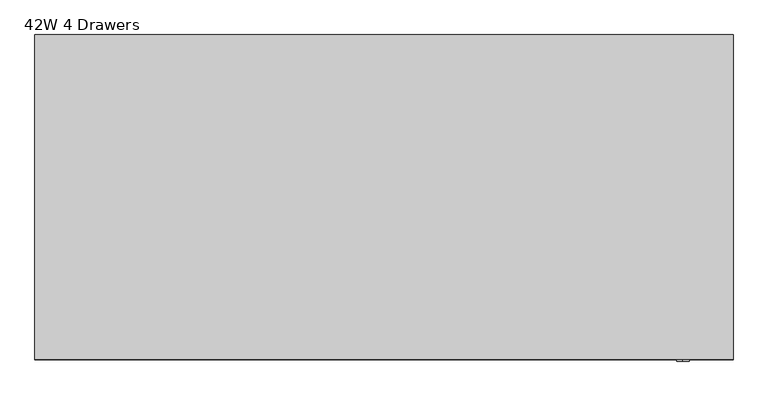
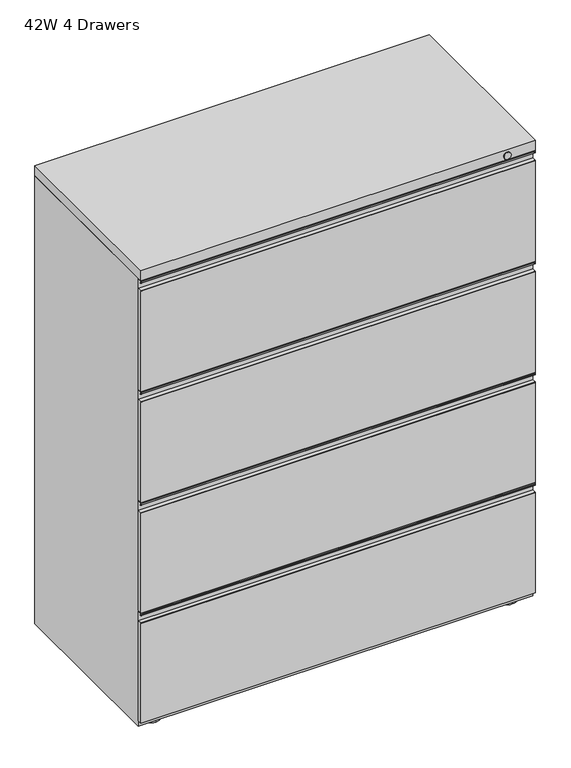
"""IFC4 building model written with IfcOpenShell, lengths in millimetres: furniture geometry, 42W 4 Drawers."""

from ifc_helpers import new_model, si_unit, point, frame, frame_2d, origin, place, context, project, spatial, polyline, circle_curve, trimmed, segment, composite_curve, outline, extrude, source, transform, mapped, element, save
from ifc_brep_helpers import plane_surface, cylinder_surface, advanced_brep


def furniture_42w_4_drawers_d9259420(model_context):
    return source(origin(), model_context, "Body", "SolidModel", [
        advanced_brep(
        [(477.8374758, 214.3124909, 9.525), (477.8374758, 163.5124939, 9.525), (477.8374758, 188.9124924, 9.525), (477.8374758, 214.3124909, 0.0), (477.8374758, 163.5124939, 0.0), (477.8374758, 188.9124924, 0.0)],
        [
            (0, 1, circle_curve(frame((477.8374758, 188.9124924, 9.525), z_axis=(0.0, 0.0, 1.0), x_axis=(0.0, -1.0, 0.0)), 25.3999985)),
            (1, 2),
            (2, 0),
            (1, 0, circle_curve(frame((477.8374758, 188.9124924, 9.525), z_axis=(0.0, 0.0, 1.0), x_axis=(0.0, -1.0, 0.0)), 25.3999985)),
            (3, 4, circle_curve(frame((477.8374758, 188.9124924, 0.0), z_axis=(0.0, 0.0, 1.0), x_axis=(0.0, -1.0, 0.0)), 25.3999985)),
            (4, 1),
            (0, 3),
            (4, 3, circle_curve(frame((477.8374758, 188.9124924, 0.0), z_axis=(0.0, 0.0, 1.0), x_axis=(0.0, -1.0, 0.0)), 25.3999985)),
            (5, 4),
            (3, 5),
        ],
        [
            plane_surface(frame((477.8374758, 188.9124924, 9.525), z_axis=(0.0, 0.0, 1.0), x_axis=(0.0, -1.0, 0.0))),
            cylinder_surface(frame((477.8374758, 188.9124924, 0.0), z_axis=(0.0, 0.0, -1.0), x_axis=(0.0, -1.0, 0.0)), 25.3999985),
            plane_surface(frame((477.8374758, 188.9124924, 0.0), z_axis=(0.0, 0.0, -1.0), x_axis=(0.0, -1.0, 0.0))),
        ],
        [
            (0, [[1, 2, 3]]),
            (0, [[4, -3, -2]]),
            (1, [[5, 6, -1, 7]]),
            (1, [[8, -7, -4, -6]]),
            (2, [[9, -5, 10]]),
            (2, [[-10, -8, -9]]),
        ],
    ),
        advanced_brep(
        [(477.8374758, -176.2125182, 9.525), (477.8374758, -227.0125151, 9.525), (477.8374758, -201.6125167, 9.525), (477.8374758, -176.2125182, 0.0), (477.8374758, -227.0125151, 0.0), (477.8374758, -201.6125167, 0.0)],
        [
            (0, 1, circle_curve(frame((477.8374758, -201.6125167, 9.525), z_axis=(0.0, 0.0, 1.0), x_axis=(0.0, -1.0, 0.0)), 25.3999985)),
            (1, 2),
            (2, 0),
            (1, 0, circle_curve(frame((477.8374758, -201.6125167, 9.525), z_axis=(0.0, 0.0, 1.0), x_axis=(0.0, -1.0, 0.0)), 25.3999985)),
            (3, 4, circle_curve(frame((477.8374758, -201.6125167, 0.0), z_axis=(0.0, 0.0, 1.0), x_axis=(0.0, -1.0, 0.0)), 25.3999985)),
            (4, 1),
            (0, 3),
            (4, 3, circle_curve(frame((477.8374758, -201.6125167, 0.0), z_axis=(0.0, 0.0, 1.0), x_axis=(0.0, -1.0, 0.0)), 25.3999985)),
            (5, 4),
            (3, 5),
        ],
        [
            plane_surface(frame((477.8374758, -201.6125167, 9.525), z_axis=(0.0, 0.0, 1.0), x_axis=(0.0, -1.0, 0.0))),
            cylinder_surface(frame((477.8374758, -201.6125167, 0.0), z_axis=(0.0, 0.0, -1.0), x_axis=(0.0, -1.0, 0.0)), 25.3999985),
            plane_surface(frame((477.8374758, -201.6125167, 0.0), z_axis=(0.0, 0.0, -1.0), x_axis=(0.0, -1.0, 0.0))),
        ],
        [
            (0, [[1, 2, 3]]),
            (0, [[4, -3, -2]]),
            (1, [[5, 6, -1, 7]]),
            (1, [[8, -7, -4, -6]]),
            (2, [[9, -5, 10]]),
            (2, [[-10, -8, -9]]),
        ],
    ),
        advanced_brep(
        [(-477.8374985, -176.2125182, 9.525), (-477.8374985, -227.0125151, 9.525), (-477.8374985, -201.6125167, 9.525), (-477.8374985, -176.2125182, 0.0), (-477.8374985, -227.0125151, 0.0), (-477.8374985, -201.6125167, 0.0)],
        [
            (0, 1, circle_curve(frame((-477.8374985, -201.6125167, 9.525), z_axis=(0.0, 0.0, 1.0), x_axis=(0.0, -1.0, 0.0)), 25.3999985)),
            (1, 2),
            (2, 0),
            (1, 0, circle_curve(frame((-477.8374985, -201.6125167, 9.525), z_axis=(0.0, 0.0, 1.0), x_axis=(0.0, -1.0, 0.0)), 25.3999985)),
            (3, 4, circle_curve(frame((-477.8374985, -201.6125167, 0.0), z_axis=(0.0, 0.0, 1.0), x_axis=(0.0, -1.0, 0.0)), 25.3999985)),
            (4, 1),
            (0, 3),
            (4, 3, circle_curve(frame((-477.8374985, -201.6125167, 0.0), z_axis=(0.0, 0.0, 1.0), x_axis=(0.0, -1.0, 0.0)), 25.3999985)),
            (5, 4),
            (3, 5),
        ],
        [
            plane_surface(frame((-477.8374985, -201.6125167, 9.525), z_axis=(0.0, 0.0, 1.0), x_axis=(0.0, -1.0, 0.0))),
            cylinder_surface(frame((-477.8374985, -201.6125167, 0.0), z_axis=(0.0, 0.0, -1.0), x_axis=(0.0, -1.0, 0.0)), 25.3999985),
            plane_surface(frame((-477.8374985, -201.6125167, 0.0), z_axis=(0.0, 0.0, -1.0), x_axis=(0.0, -1.0, 0.0))),
        ],
        [
            (0, [[1, 2, 3]]),
            (0, [[4, -3, -2]]),
            (1, [[5, 6, -1, 7]]),
            (1, [[8, -7, -4, -6]]),
            (2, [[9, -5, 10]]),
            (2, [[-10, -8, -9]]),
        ],
    ),
        advanced_brep(
        [(-477.8374985, 214.3124909, 9.525), (-477.8374985, 163.5124939, 9.525), (-477.8374985, 188.9124924, 9.525), (-477.8374985, 214.3124909, 0.0), (-477.8374985, 163.5124939, 0.0), (-477.8374985, 188.9124924, 0.0)],
        [
            (0, 1, circle_curve(frame((-477.8374985, 188.9124924, 9.525), z_axis=(0.0, 0.0, 1.0), x_axis=(0.0, -1.0, 0.0)), 25.3999985)),
            (1, 2),
            (2, 0),
            (1, 0, circle_curve(frame((-477.8374985, 188.9124924, 9.525), z_axis=(0.0, 0.0, 1.0), x_axis=(0.0, -1.0, 0.0)), 25.3999985)),
            (3, 4, circle_curve(frame((-477.8374985, 188.9124924, 0.0), z_axis=(0.0, 0.0, 1.0), x_axis=(0.0, -1.0, 0.0)), 25.3999985)),
            (4, 1),
            (0, 3),
            (4, 3, circle_curve(frame((-477.8374985, 188.9124924, 0.0), z_axis=(0.0, 0.0, 1.0), x_axis=(0.0, -1.0, 0.0)), 25.3999985)),
            (5, 4),
            (3, 5),
        ],
        [
            plane_surface(frame((-477.8374985, 188.9124924, 9.525), z_axis=(0.0, 0.0, 1.0), x_axis=(0.0, -1.0, 0.0))),
            cylinder_surface(frame((-477.8374985, 188.9124924, 0.0), z_axis=(0.0, 0.0, -1.0), x_axis=(0.0, -1.0, 0.0)), 25.3999985),
            plane_surface(frame((-477.8374985, 188.9124924, 0.0), z_axis=(0.0, 0.0, -1.0), x_axis=(0.0, -1.0, 0.0))),
        ],
        [
            (0, [[1, 2, 3]]),
            (0, [[4, -3, -2]]),
            (1, [[5, 6, -1, 7]]),
            (1, [[8, -7, -4, -6]]),
            (2, [[9, -5, 10]]),
            (2, [[-10, -8, -9]]),
        ],
    ),
        extrude(outline(composite_curve([segment(trimmed(circle_curve(frame_2d((-244.8896942, 308.4966671)), 1.1728058), [point((-246.0625, 308.4966671))], [point((-244.8896942, 309.6694729))], False, "CARTESIAN"), True, "CONTINUOUS"), segment(polyline([(-244.8896942, 309.6694729), (-234.1236111, 309.6694729), (-234.1236111, 334.9972013), (-234.9118604, 335.7874148), (-244.2971887, 335.7874148), (-245.0845679, 334.9999629), (-245.0843647, 331.4366976), (-243.4667153, 331.5287923)]), True, "CONTINUOUS"), segment(trimmed(circle_curve(frame_2d((-244.6524315, 331.3932144)), 1.1934422), [point((-243.4667153, 331.5287923))], [point((-245.8458737, 331.3932144))], False, "CARTESIAN"), True, "CONTINUOUS"), segment(polyline([(-245.8458737, 331.3932144), (-245.8458737, 334.9991622)]), True, "CONTINUOUS"), segment(trimmed(circle_curve(frame_2d((-244.295023, 334.9991622)), 1.5508507), [point((-245.8458737, 334.9991622))], [point((-244.295023, 336.5500129))], False, "CARTESIAN"), True, "CONTINUOUS"), segment(polyline([(-244.295023, 336.5500129), (-234.9140389, 336.5500129)]), True, "CONTINUOUS"), segment(trimmed(circle_curve(frame_2d((-234.9140389, 334.9984497)), 1.5515631), [point((-234.9140389, 336.5500129))], [point((-233.3624758, 334.9984497))], False, "CARTESIAN"), True, "CONTINUOUS"), segment(polyline([(-233.3624758, 334.9984497), (-233.3624758, 25.4000008), (-246.0625, 25.4000008), (-246.0625, 308.4966671)]), True, "CONTINUOUS")], self_intersect=False)), frame((-528.6375, 0.0, 0.0), z_axis=(1.0, 0.0, 0.0), x_axis=(0.0, 1.0, 0.0)), (0.0, 0.0, 1.0), 1057.275),
        extrude(outline(composite_curve([segment(trimmed(circle_curve(frame_2d((-244.8896942, 621.2341663)), 1.1728058), [point((-246.0625, 621.2341663))], [point((-244.8896942, 622.4069722))], False, "CARTESIAN"), True, "CONTINUOUS"), segment(polyline([(-244.8896942, 622.4069722), (-234.1236111, 622.4069722), (-234.1236111, 647.7347006), (-234.9118604, 648.5249141), (-244.2971887, 648.5249141), (-245.0845679, 647.7374621), (-245.0843647, 644.1741969), (-243.4667153, 644.2662915)]), True, "CONTINUOUS"), segment(trimmed(circle_curve(frame_2d((-244.6524315, 644.1307136)), 1.1934422), [point((-243.4667153, 644.2662915))], [point((-245.8458737, 644.1307136))], False, "CARTESIAN"), True, "CONTINUOUS"), segment(polyline([(-245.8458737, 644.1307136), (-245.8458737, 647.7366614)]), True, "CONTINUOUS"), segment(trimmed(circle_curve(frame_2d((-244.295023, 647.7366614)), 1.5508507), [point((-245.8458737, 647.7366614))], [point((-244.295023, 649.2875121))], False, "CARTESIAN"), True, "CONTINUOUS"), segment(polyline([(-244.295023, 649.2875121), (-234.9140389, 649.2875121)]), True, "CONTINUOUS"), segment(trimmed(circle_curve(frame_2d((-234.9140389, 647.735949)), 1.5515631), [point((-234.9140389, 649.2875121))], [point((-233.3624758, 647.735949))], False, "CARTESIAN"), True, "CONTINUOUS"), segment(polyline([(-233.3624758, 647.735949), (-233.3624758, 338.1375), (-246.0625, 338.1375), (-246.0625, 621.2341663)]), True, "CONTINUOUS")], self_intersect=False)), frame((-528.6375, 0.0, 0.0), z_axis=(1.0, 0.0, 0.0), x_axis=(0.0, 1.0, 0.0)), (0.0, 0.0, 1.0), 1057.275),
        extrude(outline(composite_curve([segment(trimmed(circle_curve(frame_2d((-244.8896942, 935.5591527)), 1.1728058), [point((-246.0625, 935.5591527))], [point((-244.8896942, 936.7319585))], False, "CARTESIAN"), True, "CONTINUOUS"), segment(polyline([(-244.8896942, 936.7319585), (-234.1236111, 936.7319585), (-234.1236111, 962.059687), (-234.9118604, 962.8499004), (-244.2971887, 962.8499004), (-245.0845679, 962.0624485), (-245.0843647, 958.4991832), (-243.4667153, 958.5912779)]), True, "CONTINUOUS"), segment(trimmed(circle_curve(frame_2d((-244.6524315, 958.4557)), 1.1934422), [point((-243.4667153, 958.5912779))], [point((-245.8458737, 958.4557))], False, "CARTESIAN"), True, "CONTINUOUS"), segment(polyline([(-245.8458737, 958.4557), (-245.8458737, 962.0616478)]), True, "CONTINUOUS"), segment(trimmed(circle_curve(frame_2d((-244.295023, 962.0616478)), 1.5508507), [point((-245.8458737, 962.0616478))], [point((-244.295023, 963.6124985))], False, "CARTESIAN"), True, "CONTINUOUS"), segment(polyline([(-244.295023, 963.6124985), (-234.9140389, 963.6124985)]), True, "CONTINUOUS"), segment(trimmed(circle_curve(frame_2d((-234.9140389, 962.0609354)), 1.5515631), [point((-234.9140389, 963.6124985))], [point((-233.3624758, 962.0609354))], False, "CARTESIAN"), True, "CONTINUOUS"), segment(polyline([(-233.3624758, 962.0609354), (-233.3624758, 650.8749992), (-246.0625, 650.8749992), (-246.0625, 935.5591527)]), True, "CONTINUOUS")], self_intersect=False)), frame((-528.6375, 0.0, 0.0), z_axis=(1.0, 0.0, 0.0), x_axis=(0.0, 1.0, 0.0)), (0.0, 0.0, 1.0), 1057.275),
        extrude(outline(composite_curve([segment(trimmed(circle_curve(frame_2d((-244.8896942, 1249.8842034)), 1.1728058), [point((-246.0625, 1249.8842034))], [point((-244.8896942, 1251.0570092))], False, "CARTESIAN"), True, "CONTINUOUS"), segment(polyline([(-244.8896942, 1251.0570092), (-234.1236111, 1251.0570092), (-234.1236111, 1276.3847377), (-234.9118604, 1277.1749512), (-244.2971887, 1277.1749512), (-245.0845679, 1276.3874992), (-245.0843647, 1272.824234), (-243.4667153, 1272.9163286)]), True, "CONTINUOUS"), segment(trimmed(circle_curve(frame_2d((-244.6524315, 1272.7807507)), 1.1934422), [point((-243.4667153, 1272.9163286))], [point((-245.8458737, 1272.7807507))], False, "CARTESIAN"), True, "CONTINUOUS"), segment(polyline([(-245.8458737, 1272.7807507), (-245.8458737, 1276.3866985)]), True, "CONTINUOUS"), segment(trimmed(circle_curve(frame_2d((-244.295023, 1276.3866985)), 1.5508507), [point((-245.8458737, 1276.3866985))], [point((-244.295023, 1277.9375492))], False, "CARTESIAN"), True, "CONTINUOUS"), segment(polyline([(-244.295023, 1277.9375492), (-234.9140389, 1277.9375492)]), True, "CONTINUOUS"), segment(trimmed(circle_curve(frame_2d((-234.9140389, 1276.3859861)), 1.5515631), [point((-234.9140389, 1277.9375492))], [point((-233.3624758, 1276.3859861))], False, "CARTESIAN"), True, "CONTINUOUS"), segment(polyline([(-233.3624758, 1276.3859861), (-233.3624758, 965.1999727), (-246.0625, 965.1999727), (-246.0625, 1249.8842034)]), True, "CONTINUOUS")], self_intersect=False)), frame((-528.6375, 0.0, 0.0), z_axis=(1.0, 0.0, 0.0), x_axis=(0.0, 1.0, 0.0)), (0.0, 0.0, 1.0), 1057.275),
        extrude(outline(polyline([(528.6375, 246.0625), (528.6375, -246.0625), (-528.6375, -246.0625), (-528.6375, 246.0625), (528.6375, 246.0625)])), frame((0.0, 0.0, 1279.525), z_axis=(0.0, 0.0, 1.0), x_axis=(1.0, 0.0, 0.0)), (0.0, 0.0, 1.0), 28.575),
        extrude(outline(polyline([(528.6375, 246.0625), (528.6375, -233.3624758), (-528.6375, -233.3624758), (-528.6375, 246.0625), (528.6375, 246.0625)])), frame((0.0, 0.0, 9.525), z_axis=(0.0, 0.0, 1.0), x_axis=(1.0, 0.0, 0.0)), (0.0, 0.0, 1.0), 1270.0),
        extrude(outline(composite_curve([segment(trimmed(circle_curve(frame_2d((1292.2250242, 452.4375)), 9.525), [point((1282.7000242, 452.4375))], [point((1301.7500242, 452.4375))], False, "CARTESIAN"), True, "CONTINUOUS"), segment(trimmed(circle_curve(frame_2d((1292.2250242, 452.4375)), 9.525), [point((1301.7500242, 452.4375))], [point((1282.7000242, 452.4375))], False, "CARTESIAN"), True, "CONTINUOUS")], self_intersect=False)), frame((0.0, -249.2374879, 0.0), z_axis=(0.0, 1.0, 0.0), x_axis=(0.0, 0.0, 1.0)), (0.0, 0.0, 1.0), 3.1749879),
    ])


if __name__ == "__main__":
    model = new_model("IFC4")
    model_context = context("Model", 3, world=origin())
    ifc_project = project(units=[si_unit("LENGTHUNIT", "METRE", prefix="MILLI")], contexts=[model_context])
    site = spatial("IfcSite", under=ifc_project)
    building = spatial("IfcBuilding", under=site)
    placement = place(None, origin())
    furniture_42w_4_drawers_shape = furniture_42w_4_drawers_d9259420(model_context)
    element("IfcFurniture", 1, ObjectType="42W 4 Drawers", at=placement, inside=building, context=model_context, shape_type="MappedRepresentation", body=[
        mapped(furniture_42w_4_drawers_shape, transform((0.0, 0.0, 0.0), x_axis=(1.0, 0.0, 0.0), y_axis=(0.0, 1.0, 0.0), z_axis=(0.0, 0.0, 1.0))),
    ])
    save(model, "model.ifc")
